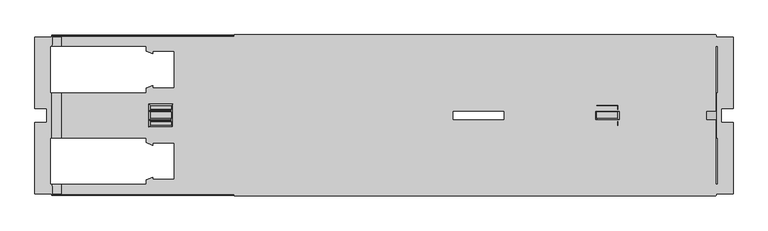
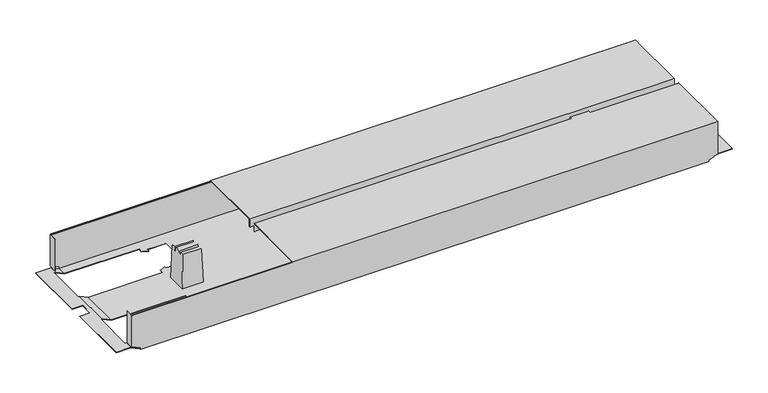
"""IFC4 building model written with IfcOpenShell, lengths in millimetres: furniture geometry."""

from ifc_helpers import new_model, si_unit, origin, place, context, project, spatial, triangles, source, transform, mapped, element, save


def furniture_5e28c70e(model_context):
    return source(origin(), model_context, "Body", "Tessellation", [
        triangles([(356.4205663, 4070.0568829, 526.9999909), (356.4205663, 4070.0568829, 507.9999879), (1384.4205908, 4070.0568829, 526.9999909), (1384.4205908, 4070.0568829, 507.9999879), (356.4205663, 3908.9568779, 526.9999909), (1384.4205908, 3908.9568779, 526.9999909), (356.4205663, 3908.9568779, 507.9999879), (1384.4205908, 3908.9568779, 507.9999879), (356.4205663, 3907.9568845, 507.9999879), (1384.4205908, 3907.9568845, 507.9999879), (356.4205663, 3907.9568845, 528.0000026), (1384.4205908, 3907.9568845, 528.0000026), (356.4205663, 4071.0568854, 528.0000026), (1384.4205908, 4071.0568854, 528.0000026), (356.4205663, 4071.0568854, 507.9999879), (1384.4205908, 4071.0568854, 507.9999879), (356.4205663, 3888.1568939, 526.9999909), (356.4205663, 3888.1568939, 507.9999879), (1384.4205908, 3888.1568939, 526.9999909), (1384.4205908, 3888.1568939, 507.9999879), (356.4205663, 3727.0568799, 526.9999909), (1384.4205908, 3727.0568799, 526.9999909), (356.4205663, 3727.0568799, 507.9999879), (1384.4205908, 3727.0568799, 507.9999879), (356.4205663, 3726.0568683, 507.9999879), (1384.4205908, 3726.0568683, 507.9999879), (356.4205663, 3726.0568683, 528.0000026), (1384.4205908, 3726.0568683, 528.0000026), (356.4205663, 3889.1568692, 528.0000026), (1384.4205908, 3889.1568692, 528.0000026), (356.4205663, 3889.1568692, 507.9999879), (1384.4205908, 3889.1568692, 507.9999879), (-11.0794583, 3727.0568799, 432.000012), (1363.9205885, 3727.0568799, 432.000012), (-11.0794583, 3727.0568799, 435.9999859), (1363.9205885, 3727.0568799, 435.9999859), (-31.0794004, 3727.0568799, 445.3260155), (1383.9205941, 3727.0568799, 445.3260155), (-31.0794004, 3727.0568799, 526.0000156), (1383.9205941, 3727.0568799, 526.0000156), (1385.9205901, 3727.0568799, 445.3260155), (1385.9205901, 3727.0568799, 526.0000156), (-33.0794236, 3727.0568799, 526.0000156), (-33.0794236, 3727.0568799, 445.3260155), (933.5205878, 3937.7568824, 432.000012), (1123.8206, 3839.7568685, 432.000012), (933.5205878, 3859.3568713, 432.000012), (1123.8206, 3761.3568938, 432.000012), (873.3205923, 3848.5568765, 432.000012), (229.0205665, 3761.3568938, 432.000012), (823.3206283, 3848.5568765, 432.000012), (229.0205665, 3839.7568685, 432.000012), (229.0205665, 3957.3568851, 432.000012), (168.8206073, 3946.5568903, 432.000012), (182.620637, 3957.3568851, 432.000012), (168.8206073, 3956.8408738, 432.000012), (182.620637, 3962.5568766, 432.000012), (887.1205857, 3937.7568824, 432.000012), (873.3205923, 3948.5568772, 432.000012), (1123.8206, 4035.756878, 432.000012), (1123.8206, 3957.3568851, 432.000012), (887.1205857, 3932.5568727, 432.000012), (873.3205923, 3938.1748801, 432.000012), (229.0205665, 4035.756878, 432.000012), (823.3206283, 3948.5568772, 432.000012), (887.1205857, 3859.3568713, 432.000012), (873.3205923, 3858.9388736, 432.000012), (887.1205857, 3864.5568809, 432.000012), (168.8206073, 3750.556899, 432.000012), (1184.0205955, 3750.556899, 432.000012), (1363.9205885, 3730.5568843, 432.000012), (1364.920591, 3750.556899, 432.000012), (1364.920591, 3730.5568843, 432.000012), (-11.0794583, 3730.5568843, 432.000012), (-12.0793973, 3750.556899, 432.000012), (-12.0793973, 3730.5568843, 432.000012), (168.8206073, 3760.8408643, 432.000012), (182.620637, 3761.3568938, 432.000012), (1170.220584, 3761.3568938, 432.000012), (182.620637, 3766.5568671, 432.000012), (168.8206073, 3850.5568634, 432.000012), (182.620637, 3839.7568685, 432.000012), (168.8206073, 3840.2728981, 432.000012), (182.620637, 3834.5568952, 432.000012), (-12.0793973, 3850.5568634, 432.000012), (-12.0793973, 3946.5568903, 432.000012), (182.620637, 4035.756878, 432.000012), (168.8206073, 4046.556882, 432.000012), (1184.0205955, 4046.556882, 432.000012), (1170.220584, 4035.756878, 432.000012), (1184.0205955, 4036.2728894, 432.000012), (1170.220584, 4030.5568866, 432.000012), (182.620637, 4030.5568866, 432.000012), (168.8206073, 4036.2728894, 432.000012), (-12.0793973, 4046.556882, 432.000012), (-11.0794583, 4066.5568785, 432.000012), (-11.0794583, 4070.0568829, 432.000012), (1363.9205885, 4070.0568829, 432.000012), (-12.0793973, 4066.5568785, 432.000012), (1363.9205885, 4066.5568785, 432.000012), (1364.920591, 4046.556882, 432.000012), (1364.920591, 4066.5568785, 432.000012), (1170.220584, 3957.3568851, 432.000012), (1184.0205955, 3946.5568903, 432.000012), (1184.0205955, 3850.5568634, 432.000012), (1170.220584, 3839.7568685, 432.000012), (1184.0205955, 3840.2728981, 432.000012), (1170.220584, 3834.5568952, 432.000012), (1170.220584, 3962.5568766, 432.000012), (1184.0205955, 3956.8408738, 432.000012), (1364.920591, 3946.5568903, 432.000012), (1364.920591, 3850.5568634, 432.000012), (1170.220584, 3766.5568671, 432.000012), (1184.0205955, 3760.8408643, 432.000012), (933.5205878, 3859.3568713, 432.9999873), (1123.8206, 3957.3568851, 432.9999873), (933.5205878, 3937.7568824, 432.9999873), (1123.8206, 4035.756878, 432.9999873), (873.3205923, 3948.5568772, 432.9999873), (229.0205665, 4035.756878, 432.9999873), (823.3206283, 3948.5568772, 432.9999873), (229.0205665, 3957.3568851, 432.9999873), (229.0205665, 3839.7568685, 432.9999873), (168.8206073, 3850.5568634, 432.9999873), (182.620637, 3839.7568685, 432.9999873), (168.8206073, 3840.2728981, 432.9999873), (182.620637, 3834.5568952, 432.9999873), (887.1205857, 3859.3568713, 432.9999873), (873.3205923, 3848.5568765, 432.9999873), (1123.8206, 3761.3568938, 432.9999873), (1123.8206, 3839.7568685, 432.9999873), (887.1205857, 3864.5568809, 432.9999873), (873.3205923, 3858.9388736, 432.9999873), (229.0205665, 3761.3568938, 432.9999873), (823.3206283, 3848.5568765, 432.9999873), (887.1205857, 3937.7568824, 432.9999873), (873.3205923, 3938.1748801, 432.9999873), (887.1205857, 3932.5568727, 432.9999873), (1364.6985933, 4046.556882, 432.9999873), (1363.9205885, 4066.5568785, 432.9999873), (1184.0205955, 4046.556882, 432.9999873), (1363.9205885, 4069.0568803, 432.9999873), (168.8206073, 4046.556882, 432.9999873), (-11.0794583, 4069.0568803, 432.9999873), (-11.0794583, 4066.5568785, 432.9999873), (1364.6985933, 4066.5568785, 432.9999873), (-11.8574632, 4066.5568785, 432.9999873), (-11.8574632, 4046.556882, 432.9999873), (168.8206073, 4036.2728894, 432.9999873), (182.620637, 4035.756878, 432.9999873), (1170.220584, 4035.756878, 432.9999873), (182.620637, 4030.5568866, 432.9999873), (168.8206073, 3946.5568903, 432.9999873), (182.620637, 3957.3568851, 432.9999873), (168.8206073, 3956.8408738, 432.9999873), (182.620637, 3962.5568766, 432.9999873), (-11.8574632, 3946.5568903, 432.9999873), (-11.8574632, 3850.5568634, 432.9999873), (182.620637, 3761.3568938, 432.9999873), (168.8206073, 3750.556899, 432.9999873), (1184.0205955, 3750.556899, 432.9999873), (1170.220584, 3761.3568938, 432.9999873), (1184.0205955, 3760.8408643, 432.9999873), (1170.220584, 3766.5568671, 432.9999873), (182.620637, 3766.5568671, 432.9999873), (168.8206073, 3760.8408643, 432.9999873), (-11.8574632, 3750.556899, 432.9999873), (-11.0794583, 3730.5568843, 432.9999873), (-11.0794583, 3728.0568915, 432.9999873), (1363.9205885, 3728.0568915, 432.9999873), (-11.8574632, 3730.5568843, 432.9999873), (1363.9205885, 3730.5568843, 432.9999873), (1364.6985933, 3750.556899, 432.9999873), (1364.6985933, 3730.5568843, 432.9999873), (1170.220584, 3839.7568685, 432.9999873), (1184.0205955, 3850.5568634, 432.9999873), (1184.0205955, 3946.5568903, 432.9999873), (1170.220584, 3957.3568851, 432.9999873), (1184.0205955, 3956.8408738, 432.9999873), (1170.220584, 3962.5568766, 432.9999873), (1170.220584, 3834.5568952, 432.9999873), (1184.0205955, 3840.2728981, 432.9999873), (1364.6985933, 3850.5568634, 432.9999873), (1364.6985933, 3946.5568903, 432.9999873), (1170.220584, 4030.5568866, 432.9999873), (1184.0205955, 4036.2728894, 432.9999873), (-11.0794583, 3728.0568915, 435.9999859), (1363.9205885, 3728.0568915, 435.9999859), (-31.0794004, 3728.0568915, 445.3260155), (1383.9205941, 3728.0568915, 445.3260155), (1383.9205941, 3728.0568915, 511.9999981), (1384.9205966, 3728.0568915, 445.3260155), (1384.9205966, 3728.0568915, 526.0000156), (1383.9205941, 3728.0568915, 526.0000156), (-31.0794004, 3728.0568915, 511.9999981), (-32.0793393, 3728.0568915, 445.3260155), (-32.0793393, 3728.0568915, 526.0000156), (-31.0794004, 3728.0568915, 526.0000156), (-31.0794004, 4068.0568778, 526.0000156), (1383.9205941, 4068.0568778, 526.0000156), (-31.0794004, 4068.3498831, 526.7069856), (1383.9205941, 4068.3498831, 526.7069856), (-31.0794004, 4069.0568803, 526.9999909), (1383.9205941, 4069.0568803, 526.9999909), (-31.0794004, 4069.7638775, 526.7069856), (1383.9205941, 4069.7638775, 526.7069856), (-31.0794004, 4070.0568829, 526.0000156), (1383.9205941, 4070.0568829, 526.0000156), (-31.0794004, 4068.0568778, 511.9999981), (1383.9205941, 4068.0568778, 511.9999981), (-31.0794004, 4069.0568803, 511.9999981), (1383.9205941, 4069.0568803, 511.9999981), (-31.0794004, 3729.0568668, 511.9999981), (1383.9205941, 3729.0568668, 511.9999981), (-31.0794004, 3729.0568668, 526.0000156), (1383.9205941, 3729.0568668, 526.0000156), (-31.0794004, 3727.3498853, 526.7069856), (1383.9205941, 3727.3498853, 526.7069856), (-31.0794004, 3728.0568915, 526.9999909), (1383.9205941, 3728.0568915, 526.9999909), (-31.0794004, 3728.7638978, 526.7069856), (1383.9205941, 3728.7638978, 526.7069856), (-31.0794004, 4070.0568829, 445.3260155), (-33.0794236, 4070.0568829, 445.3260155), (-33.0794236, 4070.0568829, 526.0000156), (1383.9205941, 4070.0568829, 445.3260155), (1385.9205901, 4070.0568829, 526.0000156), (1385.9205901, 4070.0568829, 445.3260155), (-11.0794583, 4070.0568829, 435.9999859), (1363.9205885, 4070.0568829, 435.9999859), (1383.9205941, 4069.0568803, 445.3260155), (-31.0794004, 4069.0568803, 445.3260155), (1363.9205885, 4069.0568803, 435.9999859), (-11.0794583, 4069.0568803, 435.9999859), (1384.9205966, 4069.0568803, 445.3260155), (1384.9205966, 4069.0568803, 526.0000156), (1383.9205941, 4069.0568803, 526.0000156), (-32.0793393, 4069.0568803, 445.3260155), (-32.0793393, 4069.0568803, 526.0000156), (-31.0794004, 4069.0568803, 526.0000156), (1386.3655938, 3850.5568634, 441.999983), (1386.3655938, 3946.5568903, 441.999983), (1389.0205917, 3850.5568634, 441.999983), (1389.0205917, 3946.5568903, 441.999983), (1396.9205909, 3913.5568879, 441.999983), (1389.0205917, 4046.556882, 441.999983), (1421.9205911, 4066.5568785, 441.999983), (1386.3655938, 4066.5568785, 441.999983), (1386.3655938, 4046.556882, 441.999983), (1421.9205911, 3913.5568879, 441.999983), (1396.9205909, 3883.556884, 441.999983), (1389.0205917, 3750.556899, 441.999983), (1421.9205911, 3730.5568843, 441.999983), (1386.3655938, 3730.5568843, 441.999983), (1421.9205911, 3883.556884, 441.999983), (1386.3655938, 3750.556899, 441.999983), (1389.0205917, 3850.5568634, 442.9999947), (1389.0205917, 3750.556899, 442.9999947), (1386.1435961, 3946.5568903, 442.9999947), (1386.1435961, 3850.5568634, 442.9999947), (1389.0205917, 4046.556882, 442.9999947), (1389.0205917, 3946.5568903, 442.9999947), (1396.9205909, 3913.5568879, 442.9999947), (1421.9205911, 4066.5568785, 442.9999947), (1386.1435961, 4066.5568785, 442.9999947), (1396.9205909, 3883.556884, 442.9999947), (1421.9205911, 3730.5568843, 442.9999947), (1386.1435961, 3730.5568843, 442.9999947), (1386.1435961, 3750.556899, 442.9999947), (1421.9205911, 3883.556884, 442.9999947), (1421.9205911, 3913.5568879, 442.9999947), (1386.1435961, 4046.556882, 442.9999947), (1384.9205966, 4050.0568773, 526.0000156), (1384.9205966, 4050.0568773, 445.3260155), (1385.9205901, 4050.0568773, 445.3260155), (1385.9205901, 4050.0568773, 526.0000156), (1384.9205966, 3747.0568946, 445.3260155), (1384.9205966, 3747.0568946, 526.0000156), (1385.9205901, 3747.0568946, 445.3260155), (1385.9205901, 3747.0568946, 526.0000156), (-33.0794236, 3747.0568946, 526.0000156), (-33.0794236, 3747.0568946, 445.3260155), (-32.0793393, 3747.0568946, 526.0000156), (-32.0793393, 3747.0568946, 445.3260155), (-33.0794236, 4050.0568773, 445.3260155), (-33.0794236, 4050.0568773, 526.0000156), (-32.0793393, 4050.0568773, 445.3260155), (-32.0793393, 4050.0568773, 526.0000156), (-33.3023751, 3946.5568903, 442.9999947), (-33.3023751, 3850.5568634, 442.9999947), (-33.5244546, 3850.5568634, 441.999983), (-33.5244546, 3946.5568903, 441.999983), (-36.1793798, 3750.556899, 441.999983), (-44.0794789, 3883.556884, 441.999983), (-36.1793798, 3850.5568634, 441.999983), (-44.0794789, 3913.5568879, 441.999983), (-36.1793798, 3946.5568903, 441.999983), (-36.1793798, 4046.556882, 441.999983), (-69.0794065, 4066.5568785, 441.999983), (-33.5244546, 4066.5568785, 441.999983), (-33.5244546, 3750.556899, 441.999983), (-33.5244546, 3730.5568843, 441.999983), (-69.0794065, 3730.5568843, 441.999983), (-69.0794065, 3883.556884, 441.999983), (-69.0794065, 3913.5568879, 441.999983), (-33.5244546, 4046.556882, 441.999983), (-69.0794065, 3883.556884, 442.9999947), (-69.0794065, 3730.5568843, 442.9999947), (-44.0794789, 3883.556884, 442.9999947), (-36.1793798, 3750.556899, 442.9999947), (-36.1793798, 3850.5568634, 442.9999947), (-33.3023751, 3730.5568843, 442.9999947), (-33.3023751, 3750.556899, 442.9999947), (-36.1793798, 3946.5568903, 442.9999947), (-44.0794789, 3913.5568879, 442.9999947), (-36.1793798, 4046.556882, 442.9999947), (-69.0794065, 4066.5568785, 442.9999947), (-33.3023751, 4066.5568785, 442.9999947), (-33.3023751, 4046.556882, 442.9999947), (-69.0794065, 3913.5568879, 442.9999947), (1175.9525924, 3891.6558809, 519.5000127), (1176.30159, 3889.656875, 509.5000053), (1175.9525924, 3905.4578728, 519.5000127), (1176.30159, 3907.4568786, 509.5000053), (1178.920598, 3874.0568825, 433.4999931), (1178.920598, 3923.0568894, 433.4999931), (1176.30159, 3887.6568881, 509.5000053), (1175.9876011, 3876.9898793, 518.500001), (1175.9876011, 3885.85787, 518.500001), (1176.30159, 3909.4568838, 509.5000053), (1175.9876011, 3920.1238744, 518.500001), (1175.9876011, 3911.2558837, 518.500001), (1130.8885916, 3891.6558809, 519.5000127), (1130.8885916, 3905.4578728, 519.5000127), (1130.539594, 3889.656875, 509.5000053), (1130.539594, 3907.4568786, 509.5000053), (1127.9206041, 3874.0568825, 433.4999931), (1127.9206041, 3923.0568894, 433.4999931), (1130.539594, 3909.4568838, 509.5000053), (1130.853601, 3920.1238744, 518.500001), (1130.853601, 3911.2558837, 518.500001), (1130.539594, 3887.6568881, 509.5000053), (1130.853601, 3876.9898793, 518.500001), (1130.853601, 3885.85787, 518.500001), (221.9525386, 3891.6558809, 519.5000127), (222.3016452, 3889.656875, 509.5000053), (221.9525386, 3905.4578728, 519.5000127), (222.3016452, 3907.4568786, 509.5000053), (224.920526, 3874.0568825, 433.4999931), (224.920526, 3923.0568894, 433.4999931), (222.3016452, 3887.6568881, 509.5000053), (221.9875655, 3876.9898793, 518.500001), (221.9875655, 3885.85787, 518.500001), (222.3016452, 3909.4568838, 509.5000053), (221.9875655, 3920.1238744, 518.500001), (221.9875655, 3911.2558837, 518.500001), (176.8885741, 3891.6558809, 519.5000127), (176.8885741, 3905.4578728, 519.5000127), (176.5396129, 3889.656875, 509.5000053), (176.5396129, 3907.4568786, 509.5000053), (173.9205867, 3874.0568825, 433.4999931), (173.9205867, 3923.0568894, 433.4999931), (176.5396129, 3909.4568838, 509.5000053), (176.8535472, 3920.1238744, 518.500001), (176.8535472, 3911.2558837, 518.500001), (176.5396129, 3887.6568881, 509.5000053), (176.8535472, 3876.9898793, 518.500001), (176.8535472, 3885.85787, 518.500001)], [[1, 2, 3], [3, 2, 4], [5, 1, 6], [6, 1, 3], [7, 5, 8], [8, 5, 6], [9, 7, 10], [10, 7, 8], [11, 9, 12], [12, 9, 10], [13, 11, 14], [14, 11, 12], [15, 13, 16], [16, 13, 14], [2, 15, 4], [4, 15, 16], [2, 1, 15], [15, 1, 13], [13, 1, 5], [13, 5, 11], [11, 5, 9], [9, 5, 7], [4, 16, 3], [14, 3, 16], [6, 3, 14], [12, 6, 14], [10, 6, 12], [10, 8, 6], [17, 18, 19], [19, 18, 20], [21, 17, 22], [22, 17, 19], [23, 21, 24], [24, 21, 22], [25, 23, 26], [26, 23, 24], [27, 25, 28], [28, 25, 26], [29, 27, 30], [30, 27, 28], [31, 29, 32], [32, 29, 30], [18, 31, 20], [20, 31, 32], [18, 17, 31], [31, 17, 29], [29, 17, 21], [29, 21, 27], [27, 21, 25], [25, 21, 23], [20, 32, 19], [30, 19, 32], [22, 19, 30], [28, 22, 30], [26, 22, 28], [26, 24, 22], [33, 34, 35], [35, 34, 36], [37, 35, 36], [37, 36, 38], [37, 38, 39], [39, 38, 40], [40, 38, 41], [40, 41, 42], [39, 43, 37], [37, 43, 44], [45, 46, 47], [47, 46, 48], [49, 47, 48], [50, 49, 48], [49, 50, 51], [51, 50, 52], [51, 52, 53], [53, 52, 54], [53, 54, 55], [55, 54, 56], [57, 55, 56], [45, 58, 59], [60, 45, 59], [45, 60, 61], [62, 63, 58], [58, 63, 59], [60, 59, 64], [64, 59, 65], [64, 65, 53], [53, 65, 51], [47, 49, 66], [66, 49, 67], [68, 66, 67], [33, 69, 34], [34, 69, 70], [34, 70, 71], [71, 70, 72], [71, 72, 73], [33, 74, 69], [69, 74, 75], [75, 74, 76], [69, 77, 78], [69, 78, 50], [69, 50, 70], [70, 50, 48], [70, 48, 79], [77, 80, 78], [54, 52, 81], [81, 52, 82], [81, 82, 83], [83, 82, 84], [85, 86, 81], [81, 86, 54], [64, 87, 88], [89, 64, 88], [64, 89, 60], [60, 89, 90], [90, 89, 91], [92, 90, 91], [93, 94, 87], [87, 94, 88], [95, 96, 88], [88, 96, 97], [98, 88, 97], [95, 99, 96], [88, 98, 89], [89, 98, 100], [89, 100, 101], [101, 100, 102], [61, 103, 104], [61, 104, 105], [61, 105, 46], [46, 105, 106], [106, 105, 107], [108, 106, 107], [109, 110, 103], [103, 110, 104], [111, 112, 104], [104, 112, 105], [113, 114, 79], [79, 114, 70], [45, 61, 46], [115, 116, 117], [117, 116, 118], [119, 117, 118], [120, 119, 118], [119, 120, 121], [121, 120, 122], [121, 122, 123], [123, 122, 124], [123, 124, 125], [125, 124, 126], [127, 125, 126], [115, 128, 129], [130, 115, 129], [115, 130, 131], [132, 133, 128], [128, 133, 129], [130, 129, 134], [134, 129, 135], [134, 135, 123], [123, 135, 121], [117, 119, 136], [136, 119, 137], [138, 136, 137], [139, 140, 141], [141, 140, 142], [143, 141, 142], [144, 143, 142], [143, 144, 145], [139, 146, 140], [147, 148, 145], [145, 148, 143], [143, 149, 150], [143, 150, 120], [143, 120, 141], [141, 120, 118], [141, 118, 151], [149, 152, 150], [124, 122, 153], [153, 122, 154], [153, 154, 155], [155, 154, 156], [157, 158, 153], [153, 158, 124], [134, 159, 160], [161, 134, 160], [134, 161, 130], [130, 161, 162], [162, 161, 163], [164, 162, 163], [165, 166, 159], [159, 166, 160], [167, 168, 160], [160, 168, 169], [170, 160, 169], [167, 171, 168], [160, 170, 161], [161, 170, 172], [161, 172, 173], [173, 172, 174], [131, 175, 176], [131, 176, 177], [131, 177, 116], [116, 177, 178], [178, 177, 179], [180, 178, 179], [181, 182, 175], [175, 182, 176], [183, 184, 176], [176, 184, 177], [185, 186, 151], [151, 186, 141], [115, 131, 116], [169, 187, 170], [170, 187, 188], [188, 187, 189], [190, 188, 189], [190, 189, 191], [190, 191, 192], [192, 191, 193], [193, 191, 194], [191, 189, 195], [195, 189, 196], [197, 195, 196], [197, 198, 195], [199, 200, 201], [201, 200, 202], [201, 202, 203], [203, 202, 204], [203, 204, 205], [205, 204, 206], [205, 206, 207], [207, 206, 208], [209, 210, 199], [199, 210, 200], [211, 212, 209], [209, 212, 210], [213, 214, 195], [195, 214, 191], [215, 216, 213], [213, 216, 214], [39, 40, 217], [217, 40, 218], [217, 218, 219], [219, 218, 220], [219, 220, 221], [221, 220, 222], [221, 222, 215], [215, 222, 216], [208, 223, 207], [207, 223, 224], [207, 224, 225], [223, 208, 226], [226, 208, 227], [226, 227, 228], [223, 226, 229], [229, 226, 230], [229, 230, 97], [97, 230, 98], [231, 232, 233], [233, 232, 234], [233, 234, 144], [232, 231, 212], [212, 231, 235], [236, 212, 235], [236, 237, 212], [212, 211, 232], [232, 211, 238], [238, 211, 239], [239, 211, 240], [144, 142, 233], [45, 47, 117], [117, 47, 115], [47, 66, 115], [115, 66, 128], [133, 132, 67], [67, 132, 68], [67, 49, 133], [133, 49, 129], [49, 51, 129], [129, 51, 135], [58, 45, 136], [136, 45, 117], [137, 119, 63], [63, 119, 59], [63, 62, 137], [137, 62, 138], [65, 59, 121], [121, 59, 119], [62, 58, 138], [138, 58, 136], [51, 65, 135], [135, 65, 121], [132, 128, 68], [68, 128, 66], [46, 106, 131], [131, 106, 175], [106, 108, 175], [175, 108, 181], [48, 46, 130], [130, 46, 131], [108, 107, 181], [181, 107, 182], [107, 105, 182], [182, 105, 176], [70, 114, 161], [161, 114, 163], [114, 113, 163], [163, 113, 164], [113, 79, 164], [164, 79, 162], [79, 48, 162], [162, 48, 130], [109, 103, 180], [180, 103, 178], [103, 61, 178], [178, 61, 116], [104, 110, 177], [177, 110, 179], [110, 109, 179], [179, 109, 180], [61, 60, 116], [116, 60, 118], [60, 90, 118], [118, 90, 151], [91, 89, 186], [186, 89, 141], [186, 185, 91], [91, 185, 92], [185, 151, 92], [92, 151, 90], [241, 242, 243], [243, 242, 244], [243, 244, 245], [245, 244, 246], [245, 246, 247], [247, 246, 248], [248, 246, 249], [247, 250, 245], [245, 251, 243], [252, 243, 251], [253, 252, 251], [252, 253, 254], [251, 255, 253], [254, 256, 252], [243, 252, 257], [257, 252, 258], [111, 242, 112], [112, 242, 241], [259, 184, 260], [260, 184, 183], [246, 244, 261], [261, 244, 262], [260, 257, 259], [259, 257, 262], [262, 257, 263], [261, 262, 263], [264, 261, 263], [261, 264, 265], [263, 257, 266], [266, 257, 258], [266, 258, 267], [267, 258, 268], [268, 258, 269], [267, 270, 266], [263, 271, 264], [265, 272, 261], [273, 236, 274], [274, 236, 235], [275, 228, 276], [276, 228, 227], [102, 248, 101], [101, 248, 249], [265, 146, 272], [272, 146, 139], [264, 271, 247], [247, 271, 250], [271, 263, 250], [250, 263, 245], [270, 267, 255], [255, 267, 253], [255, 251, 270], [270, 251, 266], [263, 266, 245], [245, 266, 251], [72, 256, 73], [73, 256, 254], [174, 268, 173], [173, 268, 269], [277, 192, 278], [278, 192, 193], [277, 278, 279], [279, 278, 280], [41, 279, 42], [42, 279, 280], [277, 279, 192], [41, 192, 279], [192, 41, 38], [38, 190, 192], [275, 276, 274], [274, 276, 273], [81, 83, 124], [124, 83, 126], [83, 84, 126], [126, 84, 127], [82, 52, 125], [125, 52, 123], [52, 50, 123], [123, 50, 134], [50, 78, 134], [134, 78, 159], [166, 165, 77], [77, 165, 80], [77, 69, 166], [166, 69, 160], [78, 80, 159], [159, 80, 165], [84, 82, 127], [127, 82, 125], [53, 55, 122], [122, 55, 154], [55, 57, 154], [154, 57, 156], [57, 56, 156], [156, 56, 155], [152, 149, 93], [93, 149, 94], [93, 87, 152], [152, 87, 150], [87, 64, 150], [150, 64, 120], [88, 94, 143], [143, 94, 149], [56, 54, 155], [155, 54, 153], [64, 53, 120], [120, 53, 122], [43, 281, 44], [44, 281, 282], [283, 197, 284], [284, 197, 196], [224, 285, 225], [225, 285, 286], [287, 285, 238], [224, 238, 285], [223, 238, 224], [223, 232, 238], [239, 288, 238], [238, 288, 287], [157, 289, 158], [158, 289, 290], [85, 291, 86], [86, 291, 292], [293, 294, 295], [295, 294, 296], [295, 296, 297], [298, 297, 296], [299, 298, 296], [298, 299, 300], [301, 302, 293], [293, 302, 303], [294, 293, 303], [294, 303, 304], [296, 305, 299], [300, 306, 298], [297, 292, 295], [295, 292, 291], [307, 308, 309], [309, 308, 310], [309, 310, 311], [308, 312, 310], [310, 312, 313], [290, 289, 311], [311, 289, 314], [311, 314, 315], [315, 314, 316], [315, 316, 317], [317, 316, 318], [318, 316, 319], [317, 320, 315], [315, 309, 311], [297, 298, 314], [314, 298, 316], [293, 295, 310], [310, 295, 311], [283, 284, 281], [281, 284, 282], [312, 171, 313], [313, 171, 167], [143, 148, 88], [88, 148, 95], [95, 148, 306], [319, 306, 148], [306, 319, 316], [316, 298, 306], [145, 96, 147], [147, 96, 99], [300, 147, 99], [299, 317, 300], [318, 300, 317], [147, 300, 318], [140, 100, 142], [98, 142, 100], [230, 142, 98], [230, 233, 142], [248, 102, 146], [146, 102, 100], [146, 100, 140], [146, 265, 248], [264, 248, 265], [248, 264, 247], [177, 184, 104], [104, 184, 111], [111, 184, 242], [259, 242, 184], [242, 259, 262], [262, 244, 242], [257, 260, 241], [183, 241, 260], [241, 183, 112], [112, 183, 105], [105, 183, 176], [241, 243, 257], [161, 173, 70], [70, 173, 72], [72, 173, 256], [269, 256, 173], [256, 269, 258], [258, 252, 256], [267, 268, 254], [174, 254, 268], [254, 174, 73], [73, 174, 71], [71, 174, 172], [254, 253, 267], [168, 74, 169], [33, 169, 74], [35, 169, 33], [35, 187, 169], [95, 306, 99], [99, 306, 300], [76, 302, 75], [75, 302, 301], [147, 318, 148], [148, 318, 319], [297, 314, 292], [292, 314, 289], [157, 292, 289], [153, 54, 157], [86, 157, 54], [292, 157, 86], [293, 310, 301], [301, 310, 313], [167, 301, 313], [160, 69, 167], [75, 167, 69], [301, 167, 75], [312, 302, 171], [76, 171, 302], [171, 76, 74], [312, 308, 302], [302, 308, 303], [74, 168, 171], [304, 303, 307], [307, 303, 308], [307, 309, 304], [304, 309, 294], [309, 315, 294], [294, 315, 296], [315, 320, 296], [296, 320, 305], [320, 317, 305], [305, 317, 299], [124, 158, 81], [81, 158, 85], [85, 158, 291], [290, 291, 158], [291, 290, 311], [311, 295, 291], [35, 37, 187], [187, 37, 189], [189, 37, 196], [44, 196, 37], [282, 196, 44], [282, 284, 196], [283, 281, 197], [43, 197, 281], [39, 197, 43], [39, 198, 197], [39, 217, 198], [198, 217, 219], [198, 219, 221], [221, 215, 198], [195, 198, 213], [213, 198, 215], [214, 216, 191], [191, 216, 194], [216, 222, 194], [194, 222, 220], [194, 220, 218], [218, 40, 194], [194, 40, 193], [193, 40, 42], [280, 193, 42], [280, 278, 193], [38, 36, 190], [190, 36, 188], [188, 36, 170], [34, 170, 36], [71, 170, 34], [71, 172, 170], [246, 261, 249], [249, 261, 272], [139, 249, 272], [141, 89, 139], [101, 139, 89], [249, 139, 101], [230, 226, 233], [233, 226, 231], [231, 226, 235], [228, 235, 226], [275, 235, 228], [275, 274, 235], [273, 276, 236], [227, 236, 276], [208, 236, 227], [208, 237, 236], [208, 206, 237], [237, 206, 204], [237, 204, 202], [202, 200, 237], [212, 237, 210], [210, 237, 200], [209, 199, 211], [211, 199, 240], [199, 201, 240], [240, 201, 203], [240, 203, 205], [205, 207, 240], [240, 207, 239], [225, 239, 207], [286, 239, 225], [286, 288, 239], [286, 285, 288], [288, 285, 287], [223, 229, 232], [232, 229, 234], [234, 229, 144], [97, 144, 229], [96, 144, 97], [96, 145, 144], [323, 321, 322], [323, 322, 324], [324, 322, 325], [324, 325, 326], [322, 327, 325], [325, 327, 328], [328, 327, 329], [324, 326, 330], [331, 330, 326], [330, 331, 332], [335, 333, 334], [335, 334, 336], [337, 335, 336], [337, 336, 338], [338, 336, 339], [338, 339, 340], [340, 339, 341], [335, 337, 342], [343, 342, 337], [342, 343, 344], [321, 323, 333], [333, 323, 334], [322, 321, 333], [322, 333, 335], [334, 323, 324], [334, 324, 336], [324, 330, 336], [336, 330, 339], [330, 332, 341], [330, 341, 339], [332, 331, 341], [341, 331, 340], [340, 331, 326], [340, 326, 338], [327, 322, 342], [342, 322, 335], [344, 329, 327], [344, 327, 342], [328, 329, 343], [343, 329, 344], [325, 328, 343], [325, 343, 337], [326, 325, 338], [338, 325, 337], [347, 345, 346], [347, 346, 348], [348, 346, 349], [348, 349, 350], [346, 351, 349], [349, 351, 352], [352, 351, 353], [348, 350, 354], [355, 354, 350], [354, 355, 356], [359, 357, 358], [359, 358, 360], [361, 359, 360], [361, 360, 362], [362, 360, 363], [362, 363, 364], [364, 363, 365], [359, 361, 366], [367, 366, 361], [366, 367, 368], [345, 347, 357], [357, 347, 358], [346, 345, 357], [346, 357, 359], [358, 347, 348], [358, 348, 360], [348, 354, 360], [360, 354, 363], [354, 356, 365], [354, 365, 363], [356, 355, 365], [365, 355, 364], [364, 355, 350], [364, 350, 362], [351, 346, 366], [366, 346, 359], [368, 353, 351], [368, 351, 366], [352, 353, 367], [367, 353, 368], [349, 352, 367], [349, 367, 361], [350, 349, 362], [362, 349, 361]]),
    ])


if __name__ == "__main__":
    model = new_model("IFC4")
    model_context = context("Model", 3, world=origin())
    ifc_project = project(units=[si_unit("LENGTHUNIT", "METRE", prefix="MILLI")], contexts=[model_context])
    site = spatial("IfcSite", under=ifc_project)
    building = spatial("IfcBuilding", under=site)
    placement = place(None, origin())
    furniture_shape = furniture_5e28c70e(model_context)
    element("IfcFurniture", 1, at=placement, inside=building, context=model_context, shape_type="MappedRepresentation", body=[
        mapped(furniture_shape, transform((0.0, 0.0, 0.0), x_axis=(1.0, 0.0, 0.0), y_axis=(0.0, 1.0, 0.0), z_axis=(0.0, 0.0, 1.0))),
    ])
    save(model, "model.ifc")
